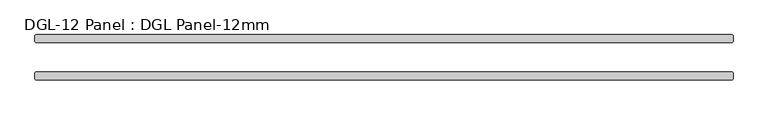
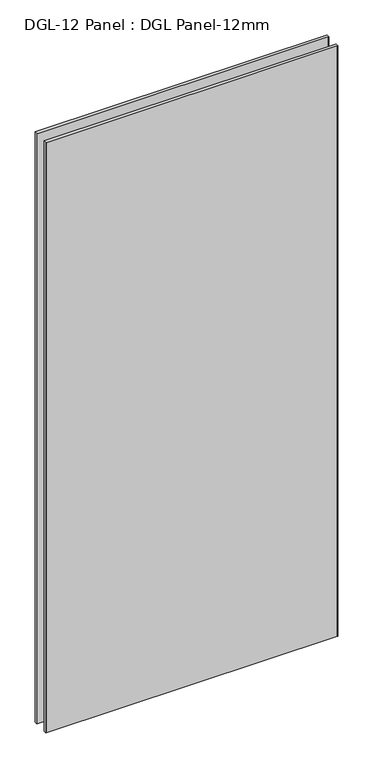
"""IFC4 building model written with IfcOpenShell, lengths in millimetres: plate geometry, DGL-12 Panel : DGL Panel-12mm."""

from ifc_helpers import new_model, si_unit, origin, origin_with_axes, place, context, project, spatial, polyline, outline, extrude, source, transform, mapped, element, save


def dgl_12_panel_dgl_panel_12mm_b1b3a2b8(model_context):
    return source(origin(), model_context, "Body", "SweptSolid", [
        extrude(outline(polyline([(546.3875991, -22.9195313), (547.9750991, -24.5070313), (547.9750991, -34.0320313), (546.3875991, -35.6195313), (-546.3875991, -35.6195313), (-547.9750991, -34.0320313), (-547.9750991, -24.5070313), (-546.3875991, -22.9195313), (546.3875991, -22.9195313)])), origin_with_axes(), (0.0, 0.0, 1.0), 2339.4622278),
        extrude(outline(polyline([(546.3875991, 35.6195312), (547.9750991, 34.0320312), (547.9750991, 24.5070312), (546.3875991, 22.9195312), (-546.3875991, 22.9195312), (-547.9750991, 24.5070312), (-547.9750991, 34.0320312), (-546.3875991, 35.6195312), (546.3875991, 35.6195312)])), origin_with_axes(), (0.0, 0.0, 1.0), 2339.4622278),
    ])


if __name__ == "__main__":
    model = new_model("IFC4")
    model_context = context("Model", 3, world=origin())
    ifc_project = project(units=[si_unit("LENGTHUNIT", "METRE", prefix="MILLI")], contexts=[model_context])
    site = spatial("IfcSite", under=ifc_project)
    building = spatial("IfcBuilding", under=site)
    placement = place(None, origin())
    dgl_12_panel_dgl_panel_12mm_shape = dgl_12_panel_dgl_panel_12mm_b1b3a2b8(model_context)
    element("IfcPlate", 1, ObjectType="DGL-12 Panel : DGL Panel-12mm", at=placement, inside=building, context=model_context, shape_type="MappedRepresentation", body=[
        mapped(dgl_12_panel_dgl_panel_12mm_shape, transform((0.0, 0.0, 0.0), x_axis=(1.0, 0.0, 0.0), y_axis=(0.0, 1.0, 0.0), z_axis=(0.0, 0.0, 1.0))),
    ])
    save(model, "model.ifc")
